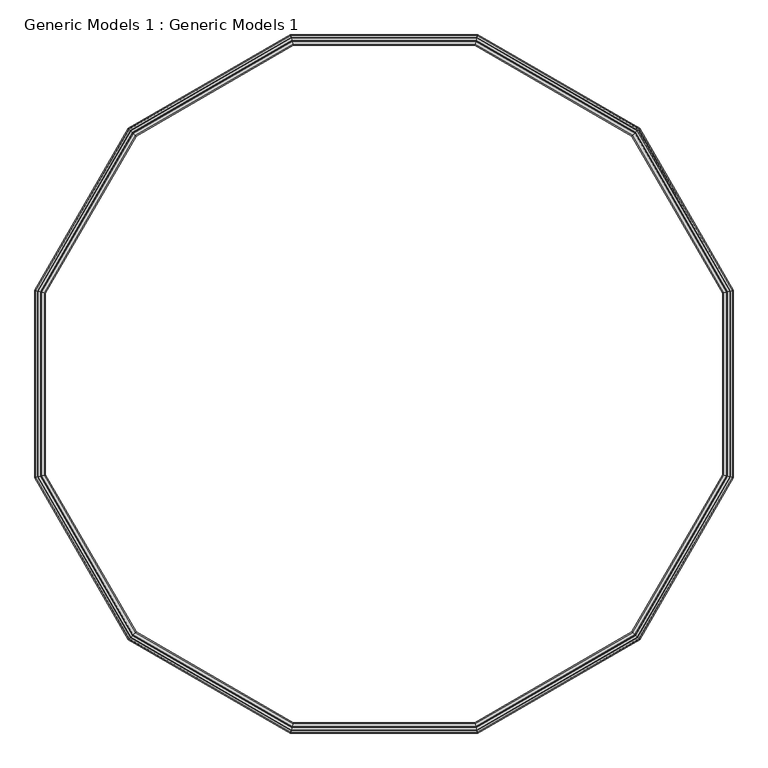
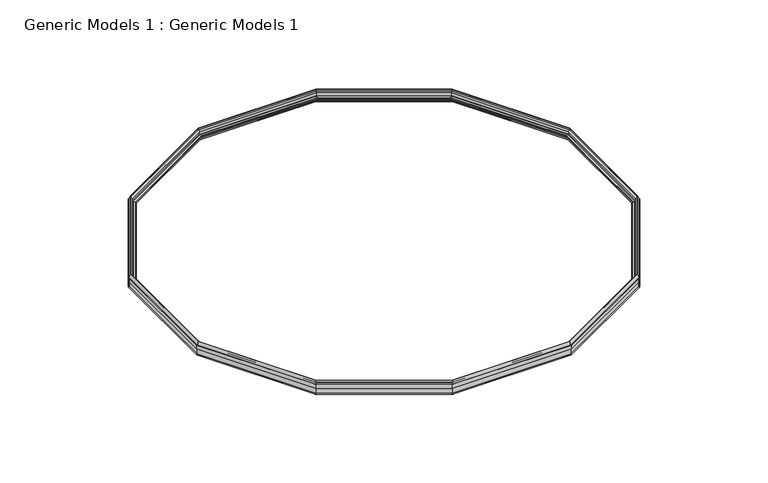
"""IFC4 building model written with IfcOpenShell, lengths in millimetres: proxy geometry, Generic Models 1 : Generic Models 1."""

import ifcopenshell
import ifcopenshell.guid

model = None  # the IFC model being written
_history = None  # IfcOwnerHistory: only IFC2X3 demands one
_inside = {}  # id of a spatial element -> (the spatial element, [elements in it])
_under = {}  # id of a project, library or spatial element -> (it, [spatial elements below it])
_declared = {}  # id of a project -> (the project, [libraries it declares])
_typed = {}  # id of a type object -> (the type object, [elements of that type])
_made_of = {}  # id of a material, layer set ... -> (it, [elements and type objects made of it])


def new_model(schema):
    """Start an empty IFC model of exactly this schema.

    Asked for "IFC4X3", IfcOpenShell would pick the latest addendum, in which some entities
    have other attributes; the version numbers below select the first issue.
    IFC2X3 requires an IfcOwnerHistory on every rooted entity: one is made here for all.
    """
    global model, _history
    if schema == "IFC4X3":
        model = ifcopenshell.file(schema_version=(4, 3, 0, 0))
    else:
        model = ifcopenshell.file(schema=schema)
    _inside.clear()
    _under.clear()
    _declared.clear()
    _typed.clear()
    _made_of.clear()
    _history = None
    if model.schema == "IFC2X3":
        org = make("IfcOrganization", Name="unknown")
        user = make(
            "IfcPersonAndOrganization",
            ThePerson=make("IfcPerson", FamilyName="unknown"),
            TheOrganization=org,
        )
        app = make(
            "IfcApplication",
            ApplicationDeveloper=org,
            Version="unknown",
            ApplicationFullName="unknown",
            ApplicationIdentifier="unknown",
        )
        _history = make(
            "IfcOwnerHistory",
            OwningUser=user,
            OwningApplication=app,
            ChangeAction="ADDED",
            CreationDate=0,
        )
    return model


def make(cls, **values):
    """One entity of the class cls with the attributes given. An attribute that is None is left unset."""
    return model.create_entity(
        cls, **{name: value for name, value in values.items() if value is not None}
    )


def rooted(cls, **values):
    """An entity with a GlobalId (a new one), such as an element, a storey or a relation."""
    return make(cls, GlobalId=ifcopenshell.guid.new(), OwnerHistory=_history, **values)


def si_unit(unit_type, name, prefix=None):
    """IfcSIUnit, for example si_unit("LENGTHUNIT", "METRE", prefix="MILLI")."""
    return make("IfcSIUnit", UnitType=unit_type, Prefix=prefix, Name=name)


def assignment(units):
    """IfcUnitAssignment: the units of a project."""
    return None if units is None else make("IfcUnitAssignment", Units=units)


def point(xyz):
    """IfcCartesianPoint."""
    return None if xyz is None else make("IfcCartesianPoint", Coordinates=xyz)


def direction(xyz):
    """IfcDirection."""
    return None if xyz is None else make("IfcDirection", DirectionRatios=xyz)


def frame(location, z_axis=None, x_axis=None):
    """IfcAxis2Placement3D, a coordinate frame: its origin and axes. An axis left out is left unset."""
    return make(
        "IfcAxis2Placement3D",
        Location=point(location),
        Axis=direction(z_axis),
        RefDirection=direction(x_axis),
    )


def origin():
    """The frame at (0, 0, 0) with its axes left unset."""
    return frame((0.0, 0.0, 0.0))


def place(relative_to, where):
    """IfcLocalPlacement: puts the frame where relative to a parent placement (None: the world)."""
    return make(
        "IfcLocalPlacement", PlacementRelTo=relative_to, RelativePlacement=where
    )


def context(
    kind, dimensions, precision=None, world=None, true_north=None, identifier=None
):
    """IfcGeometricRepresentationContext, for example the 3D "Model" context."""
    return make(
        "IfcGeometricRepresentationContext",
        ContextIdentifier=identifier,
        ContextType=kind,
        CoordinateSpaceDimension=dimensions,
        Precision=precision,
        WorldCoordinateSystem=world,
        TrueNorth=true_north,
    )


def project(units=None, contexts=None):
    """IfcProject with its units and contexts."""
    return rooted(
        "IfcProject",
        Name="project",
        RepresentationContexts=contexts,
        UnitsInContext=assignment(units),
    )


def spatial(cls, under=None, at=None, **own):
    """A site, building, storey or space (cls), placed at a placement, below another one or the project."""
    s = rooted(cls, ObjectPlacement=at, **own)
    if under is not None:
        _under.setdefault(under.id(), (under, []))[1].append(s)
    return s


def faces_of(points, faces, orient=None, outer=None):
    """IfcFace entities. A face is a list of loops; a loop is a list of indices into points, from 0.

    orient and outer hold one flag for each loop. By default every Orientation is true, the
    first loop of a face is its IfcFaceOuterBound and the others are IfcFaceBound.
    """
    made = []
    for i, loops in enumerate(faces):
        bounds = []
        for j, loop in enumerate(loops):
            is_outer = j == 0 if outer is None else outer[i][j]
            bounds.append(
                make(
                    "IfcFaceOuterBound" if is_outer else "IfcFaceBound",
                    Bound=make("IfcPolyLoop", Polygon=[points[k] for k in loop]),
                    Orientation=True if orient is None else orient[i][j],
                )
            )
        made.append(make("IfcFace", Bounds=bounds))
    return made


def faceted_brep(points, faces, orient=None, outer=None, voids=None):
    """IfcFacetedBrep: a solid bounded by flat faces; with voids (closed shells), ...WithVoids."""
    shared = [point(p) for p in points]
    hull = make("IfcClosedShell", CfsFaces=faces_of(shared, faces, orient, outer))
    if voids is None:
        return make("IfcFacetedBrep", Outer=hull)
    return make(
        "IfcFacetedBrepWithVoids",
        Outer=hull,
        Voids=[
            make(cls, CfsFaces=faces_of(shared, fs, o, b)) for cls, fs, o, b in voids
        ],
    )


def shape(context_of_items, identifier, shape_type, items):
    """IfcShapeRepresentation: the items that make up one representation, for example the "Body"."""
    return make(
        "IfcShapeRepresentation",
        ContextOfItems=context_of_items,
        RepresentationIdentifier=identifier,
        RepresentationType=shape_type,
        Items=items,
    )


def source(mapping_origin, context_of_items, identifier, shape_type, items):
    """IfcRepresentationMap: a shape defined once, which mapped items show again and again."""
    return make(
        "IfcRepresentationMap",
        MappingOrigin=mapping_origin,
        MappedRepresentation=shape(context_of_items, identifier, shape_type, items),
    )


def transform(
    local_origin,
    x_axis=None,
    y_axis=None,
    z_axis=None,
    scale=None,
    scale2=None,
    scale3=None,
    uniform=True,
):
    """IfcCartesianTransformationOperator3D, or its non-uniform kind. x_axis, y_axis, z_axis: its Axis1, 2, 3."""
    if uniform:
        return make(
            "IfcCartesianTransformationOperator3D",
            Axis1=direction(x_axis),
            Axis2=direction(y_axis),
            LocalOrigin=point(local_origin),
            Scale=scale,
            Axis3=direction(z_axis),
        )
    return make(
        "IfcCartesianTransformationOperator3DnonUniform",
        Axis1=direction(x_axis),
        Axis2=direction(y_axis),
        LocalOrigin=point(local_origin),
        Scale=scale,
        Axis3=direction(z_axis),
        Scale2=scale2,
        Scale3=scale3,
    )


def mapped(mapping_source, mapping_target):
    """IfcMappedItem: shows the shape of a source again, moved by a transform."""
    return make(
        "IfcMappedItem", MappingSource=mapping_source, MappingTarget=mapping_target
    )


def made_of(thing, what):
    """Note that an element or type object is made of a material, layer set ...; save() writes the relation."""
    if what is not None:
        _made_of.setdefault(what.id(), (what, []))[1].append(thing)
    return thing


def element(
    cls,
    number,
    at=None,
    inside=None,
    cuts=None,
    type_object=None,
    material=None,
    context=None,
    identifier="Body",
    shape_type=None,
    held_by="IfcProductDefinitionShape",
    body=None,
    shapes=None,
    **own,
):
    """One element of the class cls, such as IfcWall. Its Tag is "e" and its number.

    at: its placement. inside: the storey or other place that contains it. cuts: it is an
    opening in that element (IfcRelVoidsElement). A single representation is given by context,
    identifier, shape_type and body (its items); several are given by shapes. held_by: the class
    of the entity that holds the representations. save() writes the other relations.
    """
    e = rooted(cls, Tag="e%d" % number, ObjectPlacement=at, **own)
    if body is not None:
        shapes = [shape(context, identifier, shape_type, body)]
    if shapes is not None:
        e.Representation = make(held_by, Representations=shapes)
    if inside is not None:
        _inside.setdefault(inside.id(), (inside, []))[1].append(e)
    if cuts is not None:
        rooted(
            "IfcRelVoidsElement", RelatingBuildingElement=cuts, RelatedOpeningElement=e
        )
    if type_object is not None:
        _typed.setdefault(type_object.id(), (type_object, []))[1].append(e)
    return made_of(e, material)


def aggregate(whole, parts):
    """IfcRelAggregates: a whole, such as a stair, and the parts it consists of."""
    return rooted("IfcRelAggregates", RelatingObject=whole, RelatedObjects=parts)


def save(model, path):
    """Write the relations noted so far, then the file.

    IfcRelAggregates (storeys below a building ...), IfcRelContainedInSpatialStructure (elements
    in a storey), IfcRelDefinesByType, IfcRelAssociatesMaterial and IfcRelDeclares: one each for
    every whole, place, type object, material and project.
    """
    for whole, parts in _under.values():
        aggregate(whole, parts)
    for where, things in _inside.values():
        rooted(
            "IfcRelContainedInSpatialStructure",
            RelatedElements=things,
            RelatingStructure=where,
        )
    for kind, things in _typed.values():
        rooted("IfcRelDefinesByType", RelatedObjects=things, RelatingType=kind)
    for what, things in _made_of.values():
        rooted("IfcRelAssociatesMaterial", RelatedObjects=things, RelatingMaterial=what)
    for by, libraries in _declared.values():
        rooted("IfcRelDeclares", RelatingContext=by, RelatedDefinitions=libraries)
    model.write(path)


def generic_models_1_generic_models_1_f5da08ea(model_context):
    return source(origin(), model_context, "Body", "Brep", [
        faceted_brep([(-13005.6252221, -10710.0691058, 816.128845), (-13003.2415709, -10718.9650133, 825.1757906), (-14387.2775334, -11518.0385488, 825.1757906), (-14393.7897897, -11511.5262925, 816.128845), (-13005.9264504, -10708.9449068, 817.2342756), (-14394.6127604, -11510.7033217, 817.2342756), (-13003.6672762, -10717.3762595, 825.8087791), (-14388.4405818, -11516.8755003, 825.8087791), (-13003.8433067, -10716.7193047, 903.8529854), (-14388.9215062, -11516.394576, 903.8529854), (-13003.4190592, -10718.3026179, 903.8663133), (-14387.7624404, -11517.5536417, 903.8663133), (-15186.3738154, -12902.1139094, 825.1757906), (-15195.2697229, -12899.7302582, 816.128845), (-15196.393922, -12899.42903, 817.2342756), (-15187.9625692, -12901.6882042, 825.8087791), (-15188.6195241, -12901.5121736, 903.8529854), (-15187.0362108, -12901.9364211, 903.8663133), (-15186.3738154, -14500.1875605, 825.1757906), (-15195.2697229, -14502.5712117, 816.128845), (-15196.393922, -14502.8724399, 817.2342756), (-15187.9625692, -14500.6132658, 825.8087791), (-15188.6195241, -14500.7892963, 903.8529854), (-15187.0362108, -14500.3650488, 903.8663133), (-14387.3525537, -15884.1329821, 825.1757906), (-14393.86481, -15890.6452384, 816.128845), (-14394.6877808, -15891.4682092, 817.2342756), (-14388.5156022, -15885.2960306, 825.8087791), (-14388.9965265, -15885.7769549, 903.8529854), (-14387.8374608, -15884.6178892, 903.8663133), (-13003.1847423, -16683.2826406, 825.1757906), (-13005.5683935, -16692.1785482, 816.128845), (-13005.8696217, -16693.3027472, 817.2342756), (-13003.6104476, -16684.8713944, 825.8087791), (-13003.7864781, -16685.5283493, 903.8529854), (-13003.3622306, -16683.945036, 903.8663133), (-11405.0771758, -16683.2826406, 825.1757906), (-11402.6935246, -16692.1785482, 816.128845), (-11402.3922964, -16693.3027472, 817.2342756), (-11404.6514705, -16684.8713944, 825.8087791), (-11404.47544, -16685.5283493, 903.8529854), (-11404.8996875, -16683.945036, 903.8663133), (-10021.1347356, -15884.2631002, 825.1757906), (-10014.6224793, -15890.7753565, 816.128845), (-10013.7995085, -15891.5983273, 817.2342756), (-10019.9716871, -15885.4261487, 825.8087791), (-10019.4907627, -15885.9070731, 903.8529854), (-10020.6498285, -15884.7480073, 903.8663133), (-9221.9997067, -14500.1206281, 825.1757906), (-9213.1037992, -14502.5042793, 816.128845), (-9211.9796001, -14502.8055075, 817.2342756), (-9220.4109529, -14500.5463334, 825.8087791), (-9219.753998, -14500.7223639, 903.8529854), (-9221.3373113, -14500.2981164, 903.8663133), (-9221.9997067, -12901.9206057, 825.1757906), (-9213.1037992, -12899.5369544, 816.128845), (-9211.9796001, -12899.2357262, 817.2342756), (-9220.4109529, -12901.4949004, 825.8087791), (-9219.753998, -12901.3188698, 903.8529854), (-9221.3373113, -12901.7431173, 903.8663133), (-11402.6366959, -10710.0691058, 816.128845), (-11405.0203472, -10718.9650133, 825.1757906), (-11402.3354677, -10708.9449068, 817.2342756), (-11404.5946419, -10717.3762595, 825.8087791), (-11404.4186114, -10716.7193047, 903.8529854), (-11404.8428589, -10718.3026179, 903.8663133), (-10020.9843847, -11518.0385488, 825.1757906), (-10014.4721284, -11511.5262925, 816.128845), (-10013.6491577, -11510.7033217, 817.2342756), (-10019.8213362, -11516.8755003, 825.8087791), (-10019.3404119, -11516.394576, 903.8529854), (-10020.4994777, -11517.5536417, 903.8663133)], [[[0, 1, 2, 3]], [[4, 0, 3, 5]], [[6, 4, 5, 7]], [[8, 6, 7, 9]], [[1, 10, 11, 2]], [[3, 2, 12, 13]], [[5, 3, 13, 14]], [[7, 5, 14, 15]], [[9, 7, 15, 16]], [[2, 11, 17, 12]], [[13, 12, 18, 19]], [[14, 13, 19, 20]], [[15, 14, 20, 21]], [[16, 15, 21, 22]], [[12, 17, 23, 18]], [[19, 18, 24, 25]], [[20, 19, 25, 26]], [[21, 20, 26, 27]], [[22, 21, 27, 28]], [[18, 23, 29, 24]], [[25, 24, 30, 31]], [[26, 25, 31, 32]], [[27, 26, 32, 33]], [[28, 27, 33, 34]], [[24, 29, 35, 30]], [[31, 30, 36, 37]], [[32, 31, 37, 38]], [[33, 32, 38, 39]], [[34, 33, 39, 40]], [[30, 35, 41, 36]], [[37, 36, 42, 43]], [[38, 37, 43, 44]], [[39, 38, 44, 45]], [[40, 39, 45, 46]], [[36, 41, 47, 42]], [[43, 42, 48, 49]], [[44, 43, 49, 50]], [[45, 44, 50, 51]], [[46, 45, 51, 52]], [[42, 47, 53, 48]], [[49, 48, 54, 55]], [[50, 49, 55, 56]], [[51, 50, 56, 57]], [[52, 51, 57, 58]], [[48, 53, 59, 54]], [[60, 61, 1, 0]], [[62, 60, 0, 4]], [[63, 62, 4, 6]], [[64, 63, 6, 8]], [[65, 64, 8, 10]], [[61, 65, 10, 1]], [[10, 8, 9, 11]], [[11, 9, 16, 17]], [[17, 16, 22, 23]], [[23, 22, 28, 29]], [[29, 28, 34, 35]], [[35, 34, 40, 41]], [[41, 40, 46, 47]], [[47, 46, 52, 53]], [[53, 52, 58, 59]], [[55, 54, 66, 67]], [[56, 55, 67, 68]], [[57, 56, 68, 69]], [[58, 57, 69, 70]], [[59, 58, 70, 71]], [[54, 59, 71, 66]], [[67, 66, 61, 60]], [[68, 67, 60, 62]], [[69, 68, 62, 63]], [[70, 69, 63, 64]], [[71, 70, 64, 65]], [[66, 71, 65, 61]]]),
        faceted_brep([(-12998.2934817, -10737.4315336, 922.7375875), (-12997.6741342, -10739.74297, 922.1393437), (-14372.0670134, -11533.2490688, 922.1393437), (-14373.7591022, -11531.5569799, 922.7375875), (-12998.5066452, -10736.6359967, 919.6638689), (-14374.3414757, -11530.9746065, 919.6638689), (-13006.0299291, -10708.5587189, 956.4473714), (-13006.0299291, -10708.5587189, 903.8663133), (-14394.8954696, -11510.4206126, 903.8663133), (-14394.8954696, -11510.4206126, 956.4473714), (-13004.3827283, -10714.7061561, 954.8562976), (-14390.3952332, -11514.920849, 954.8562976), (-13001.1324116, -10726.836503, 1001.7243588), (-14381.515203, -11523.8008792, 1001.7243588), (-12999.4852108, -10732.9839402, 1000.1332849), (-14377.0149666, -11528.3011155, 1000.1332849), (-13001.0830842, -10727.0205955, 977.0926903), (-14381.3804379, -11523.9356442, 977.0926903), (-12994.3163832, -10752.2742675, 970.5565591), (-14362.893467, -11542.4226152, 970.5565591), (-15165.5958587, -12907.6813462, 922.1393437), (-15167.9072951, -12907.0619987, 922.7375875), (-15168.702832, -12906.8488352, 919.6638689), (-15196.7801098, -12899.3255513, 903.8663133), (-15196.7801098, -12899.3255513, 956.4473714), (-15190.6326726, -12900.9727521, 954.8562976), (-15178.5023258, -12904.2230687, 1001.7243588), (-15172.3548886, -12905.8702696, 1000.1332849), (-15178.3182333, -12904.2723962, 977.0926903), (-15153.0645613, -12911.0390972, 970.5565591), (-15165.5958587, -14494.6201238, 922.1393437), (-15167.9072951, -14495.2394713, 922.7375875), (-15168.702832, -14495.4526348, 919.6638689), (-15196.7801098, -14502.9759187, 903.8663133), (-15196.7801098, -14502.9759187, 956.4473714), (-15190.6326726, -14501.3287178, 954.8562976), (-15178.5023258, -14498.0784012, 1001.7243588), (-15172.3548886, -14496.4312004, 1000.1332849), (-15178.3182333, -14498.0290738, 977.0926903), (-15153.0645613, -14491.2623727, 970.5565591), (-14372.1420337, -15868.9224621, 922.1393437), (-14373.8341226, -15870.614551, 922.7375875), (-14374.416496, -15871.1969244, 919.6638689), (-14394.9704899, -15891.7509183, 903.8663133), (-14394.9704899, -15891.7509183, 956.4473714), (-14390.4702535, -15887.250682, 954.8562976), (-14381.5902233, -15878.3706518, 1001.7243588), (-14377.089987, -15873.8704154, 1000.1332849), (-14381.4554583, -15878.2358867, 977.0926903), (-14362.9684873, -15859.7489157, 970.5565591), (-12997.6173055, -16662.5046839, 922.1393437), (-12998.2366531, -16664.8161203, 922.7375875), (-12998.4498165, -16665.6116572, 919.6638689), (-13005.9731004, -16693.688935, 903.8663133), (-13005.9731004, -16693.688935, 956.4473714), (-13004.3258996, -16687.5414978, 954.8562976), (-13001.075583, -16675.411151, 1001.7243588), (-12999.4283821, -16669.2637138, 1000.1332849), (-13001.0262555, -16675.2270585, 977.0926903), (-12994.2595545, -16649.9733865, 970.5565591), (-11410.6446126, -16662.5046839, 922.1393437), (-11410.025265, -16664.8161203, 922.7375875), (-11409.8121016, -16665.6116572, 919.6638689), (-11402.2888177, -16693.688935, 903.8663133), (-11402.2888177, -16693.688935, 956.4473714), (-11403.9360185, -16687.5414978, 954.8562976), (-11407.1863351, -16675.411151, 1001.7243588), (-11408.833536, -16669.2637138, 1000.1332849), (-11407.2356626, -16675.2270585, 977.0926903), (-11414.0023636, -16649.9733865, 970.5565591), (-10036.3452556, -15869.0525802, 922.1393437), (-10034.6531667, -15870.7446691, 922.7375875), (-10034.0707933, -15871.3270425, 919.6638689), (-10013.5167994, -15891.8810364, 903.8663133), (-10013.5167994, -15891.8810364, 956.4473714), (-10018.0170357, -15887.3808001, 954.8562976), (-10026.8970659, -15878.5007699, 1001.7243588), (-10031.3973023, -15874.0005335, 1000.1332849), (-10027.031831, -15878.3660048, 977.0926903), (-10045.518802, -15859.8790338, 970.5565591), (-9242.7776634, -14494.5531913, 922.1393437), (-9240.466227, -14495.1725389, 922.7375875), (-9239.6706901, -14495.3857023, 919.6638689), (-9211.5934123, -14502.9089862, 903.8663133), (-9211.5934123, -14502.9089862, 956.4473714), (-9217.7408495, -14501.2617854, 954.8562976), (-9229.8711963, -14498.0114688, 1001.7243588), (-9236.0186335, -14496.3642679, 1000.1332849), (-9230.0552888, -14497.9621413, 977.0926903), (-9255.3089608, -14491.1954403, 970.5565591), (-9242.7776634, -12907.4880424, 922.1393437), (-9240.466227, -12906.8686949, 922.7375875), (-9239.6706901, -12906.6555314, 919.6638689), (-9211.5934123, -12899.1322475, 903.8663133), (-9211.5934123, -12899.1322475, 956.4473714), (-9217.7408495, -12900.7794483, 954.8562976), (-9229.8711963, -12904.0297649, 1001.7243588), (-9236.0186335, -12905.6769658, 1000.1332849), (-9230.0552888, -12904.0790924, 977.0926903), (-9255.3089608, -12910.8457934, 970.5565591), (-11409.9684364, -10737.4315336, 922.7375875), (-11410.5877839, -10739.74297, 922.1393437), (-11409.7552729, -10736.6359967, 919.6638689), (-11402.231989, -10708.5587189, 956.4473714), (-11402.231989, -10708.5587189, 903.8663133), (-11403.8791898, -10714.7061561, 954.8562976), (-11407.1295065, -10726.836503, 1001.7243588), (-11408.7767073, -10732.9839402, 1000.1332849), (-11407.1788339, -10727.0205955, 977.0926903), (-11413.9455349, -10752.2742675, 970.5565591), (-12992.7414423, -10758.1520269, 914.0951105), (-14358.5906484, -11546.7254338, 914.0951105), (-12991.7310749, -10761.9227692, 928.6641399), (-14355.8302735, -11549.4858087, 928.6641399), (-12985.0856534, -10786.7238198, 927.5766107), (-14337.6746444, -11567.6414378, 927.5766107), (-12985.5302066, -10785.0647247, 921.1663598), (-14338.8891862, -11566.4268959, 921.1663598), (-12982.235805, -10797.3595991, 917.9842121), (-14329.8887135, -11575.4273687, 917.9842121), (-12983.2148862, -10793.705618, 903.8663133), (-14332.5636133, -11572.7524689, 903.8663133), (-15147.1868018, -12912.6140381, 914.0951105), (-15143.4160595, -12913.6244054, 928.6641399), (-15118.615009, -12920.2698269, 927.5766107), (-15120.274104, -12919.8252737, 921.1663598), (-15107.9792296, -12923.1196754, 917.9842121), (-15111.6332107, -12922.1405941, 903.8663133), (-15147.1868018, -14489.6874318, 914.0951105), (-15143.4160595, -14488.6770645, 928.6641399), (-15118.615009, -14482.031643, 927.5766107), (-15120.274104, -14482.4761962, 921.1663598), (-15107.9792296, -14479.1817945, 917.9842121), (-15111.6332107, -14480.1608758, 903.8663133), (-14358.6656687, -15855.4460972, 914.0951105), (-14355.9052938, -15852.6857222, 928.6641399), (-14337.7496647, -15834.5300931, 927.5766107), (-14338.9642066, -15835.744635, 921.1663598), (-14329.9637338, -15826.7441623, 917.9842121), (-14332.6386336, -15829.4190621, 903.8663133), (-12992.6846136, -16644.095627, 914.0951105), (-12991.6742463, -16640.3248848, 928.6641399), (-12985.0288248, -16615.5238342, 927.5766107), (-12985.473378, -16617.1829292, 921.1663598), (-12982.1789763, -16604.8880548, 917.9842121), (-12983.1580576, -16608.5420359, 903.8663133), (-11415.5773045, -16644.095627, 914.0951105), (-11416.5876718, -16640.3248848, 928.6641399), (-11423.2330933, -16615.5238342, 927.5766107), (-11422.7885401, -16617.1829292, 921.1663598), (-11426.0829418, -16604.8880548, 917.9842121), (-11425.1038605, -16608.5420359, 903.8663133), (-10049.8216205, -15855.5762153, 914.0951105), (-10052.5819955, -15852.8158403, 928.6641399), (-10070.7376246, -15834.6602112, 927.5766107), (-10069.5230827, -15835.8747531, 921.1663598), (-10078.5235554, -15826.8742804, 917.9842121), (-10075.8486556, -15829.5491802, 903.8663133), (-9261.1867203, -14489.6204994, 914.0951105), (-9264.9574626, -14488.6101321, 928.6641399), (-9289.7585131, -14481.9647106, 927.5766107), (-9288.0994181, -14482.4092638, 921.1663598), (-9300.3942925, -14479.1148621, 917.9842121), (-9296.7403114, -14480.0939434, 903.8663133), (-9261.1867203, -12912.4207343, 914.0951105), (-9264.9574626, -12913.4311016, 928.6641399), (-9289.7585131, -12920.0765231, 927.5766107), (-9288.0994181, -12919.6319699, 921.1663598), (-9300.3942925, -12922.9263716, 917.9842121), (-9296.7403114, -12921.9472903, 903.8663133), (-11415.5204758, -10758.1520269, 914.0951105), (-11416.5308432, -10761.9227692, 928.6641399), (-11423.1762647, -10786.7238198, 927.5766107), (-11422.7317115, -10785.0647247, 921.1663598), (-11426.0261131, -10797.3595991, 917.9842121), (-11425.0470319, -10793.705618, 903.8663133), (-10036.1949047, -11533.2490688, 922.1393437), (-10034.5028159, -11531.5569799, 922.7375875), (-10033.9204424, -11530.9746065, 919.6638689), (-10049.6712697, -11546.7254338, 914.0951105), (-10052.4316446, -11549.4858087, 928.6641399), (-10070.5872737, -11567.6414378, 927.5766107), (-10069.3727319, -11566.4268959, 921.1663598), (-10078.3732046, -11575.4273687, 917.9842121), (-10075.6983048, -11572.7524689, 903.8663133), (-10013.3664485, -11510.4206126, 903.8663133), (-10013.3664485, -11510.4206126, 956.4473714), (-10017.8666849, -11514.920849, 954.8562976), (-10026.7467151, -11523.8008792, 1001.7243588), (-10031.2469515, -11528.3011155, 1000.1332849), (-10026.8814802, -11523.9356442, 977.0926903), (-10045.3684511, -11542.4226152, 970.5565591)], [[[0, 1, 2, 3]], [[4, 0, 3, 5]], [[6, 7, 8, 9]], [[10, 6, 9, 11]], [[12, 10, 11, 13]], [[14, 12, 13, 15]], [[16, 14, 15, 17]], [[18, 16, 17, 19]], [[1, 18, 19, 2]], [[3, 2, 20, 21]], [[5, 3, 21, 22]], [[9, 8, 23, 24]], [[11, 9, 24, 25]], [[13, 11, 25, 26]], [[15, 13, 26, 27]], [[17, 15, 27, 28]], [[19, 17, 28, 29]], [[2, 19, 29, 20]], [[21, 20, 30, 31]], [[22, 21, 31, 32]], [[24, 23, 33, 34]], [[25, 24, 34, 35]], [[26, 25, 35, 36]], [[27, 26, 36, 37]], [[28, 27, 37, 38]], [[29, 28, 38, 39]], [[20, 29, 39, 30]], [[31, 30, 40, 41]], [[32, 31, 41, 42]], [[34, 33, 43, 44]], [[35, 34, 44, 45]], [[36, 35, 45, 46]], [[37, 36, 46, 47]], [[38, 37, 47, 48]], [[39, 38, 48, 49]], [[30, 39, 49, 40]], [[41, 40, 50, 51]], [[42, 41, 51, 52]], [[44, 43, 53, 54]], [[45, 44, 54, 55]], [[46, 45, 55, 56]], [[47, 46, 56, 57]], [[48, 47, 57, 58]], [[49, 48, 58, 59]], [[40, 49, 59, 50]], [[51, 50, 60, 61]], [[52, 51, 61, 62]], [[54, 53, 63, 64]], [[55, 54, 64, 65]], [[56, 55, 65, 66]], [[57, 56, 66, 67]], [[58, 57, 67, 68]], [[59, 58, 68, 69]], [[50, 59, 69, 60]], [[61, 60, 70, 71]], [[62, 61, 71, 72]], [[64, 63, 73, 74]], [[65, 64, 74, 75]], [[66, 65, 75, 76]], [[67, 66, 76, 77]], [[68, 67, 77, 78]], [[69, 68, 78, 79]], [[60, 69, 79, 70]], [[71, 70, 80, 81]], [[72, 71, 81, 82]], [[74, 73, 83, 84]], [[75, 74, 84, 85]], [[76, 75, 85, 86]], [[77, 76, 86, 87]], [[78, 77, 87, 88]], [[79, 78, 88, 89]], [[70, 79, 89, 80]], [[81, 80, 90, 91]], [[82, 81, 91, 92]], [[84, 83, 93, 94]], [[85, 84, 94, 95]], [[86, 85, 95, 96]], [[87, 86, 96, 97]], [[88, 87, 97, 98]], [[89, 88, 98, 99]], [[80, 89, 99, 90]], [[100, 101, 1, 0]], [[102, 100, 0, 4]], [[103, 104, 7, 6]], [[105, 103, 6, 10]], [[106, 105, 10, 12]], [[107, 106, 12, 14]], [[108, 107, 14, 16]], [[109, 108, 16, 18]], [[101, 109, 18, 1]], [[110, 4, 5, 111]], [[112, 110, 111, 113]], [[114, 112, 113, 115]], [[116, 114, 115, 117]], [[118, 116, 117, 119]], [[120, 118, 119, 121]], [[111, 5, 22, 122]], [[113, 111, 122, 123]], [[115, 113, 123, 124]], [[117, 115, 124, 125]], [[119, 117, 125, 126]], [[121, 119, 126, 127]], [[122, 22, 32, 128]], [[123, 122, 128, 129]], [[124, 123, 129, 130]], [[125, 124, 130, 131]], [[126, 125, 131, 132]], [[127, 126, 132, 133]], [[128, 32, 42, 134]], [[129, 128, 134, 135]], [[130, 129, 135, 136]], [[131, 130, 136, 137]], [[132, 131, 137, 138]], [[133, 132, 138, 139]], [[134, 42, 52, 140]], [[135, 134, 140, 141]], [[136, 135, 141, 142]], [[137, 136, 142, 143]], [[138, 137, 143, 144]], [[139, 138, 144, 145]], [[140, 52, 62, 146]], [[141, 140, 146, 147]], [[142, 141, 147, 148]], [[143, 142, 148, 149]], [[144, 143, 149, 150]], [[145, 144, 150, 151]], [[146, 62, 72, 152]], [[147, 146, 152, 153]], [[148, 147, 153, 154]], [[149, 148, 154, 155]], [[150, 149, 155, 156]], [[151, 150, 156, 157]], [[152, 72, 82, 158]], [[153, 152, 158, 159]], [[154, 153, 159, 160]], [[155, 154, 160, 161]], [[156, 155, 161, 162]], [[157, 156, 162, 163]], [[158, 82, 92, 164]], [[159, 158, 164, 165]], [[160, 159, 165, 166]], [[161, 160, 166, 167]], [[162, 161, 167, 168]], [[163, 162, 168, 169]], [[170, 102, 4, 110]], [[171, 170, 110, 112]], [[172, 171, 112, 114]], [[173, 172, 114, 116]], [[174, 173, 116, 118]], [[175, 174, 118, 120]], [[91, 90, 176, 177]], [[92, 91, 177, 178]], [[164, 92, 178, 179]], [[165, 164, 179, 180]], [[166, 165, 180, 181]], [[167, 166, 181, 182]], [[168, 167, 182, 183]], [[169, 168, 183, 184]], [[94, 93, 185, 186]], [[95, 94, 186, 187]], [[96, 95, 187, 188]], [[97, 96, 188, 189]], [[98, 97, 189, 190]], [[99, 98, 190, 191]], [[90, 99, 191, 176]], [[177, 176, 101, 100]], [[178, 177, 100, 102]], [[179, 178, 102, 170]], [[180, 179, 170, 171]], [[181, 180, 171, 172]], [[182, 181, 172, 173]], [[183, 182, 173, 174]], [[184, 183, 174, 175]], [[104, 185, 93, 83, 73, 63, 53, 43, 33, 23, 8, 7], [163, 169, 184, 175, 120, 121, 127, 133, 139, 145, 151, 157]], [[186, 185, 104, 103]], [[187, 186, 103, 105]], [[188, 187, 105, 106]], [[189, 188, 106, 107]], [[190, 189, 107, 108]], [[191, 190, 108, 109]], [[176, 191, 109, 101]]]),
    ])


if __name__ == "__main__":
    model = new_model("IFC4")
    model_context = context("Model", 3, world=origin())
    ifc_project = project(units=[si_unit("LENGTHUNIT", "METRE", prefix="MILLI")], contexts=[model_context])
    site = spatial("IfcSite", under=ifc_project)
    building = spatial("IfcBuilding", under=site)
    placement = place(None, origin())
    generic_models_1_generic_models_1_shape = generic_models_1_generic_models_1_f5da08ea(model_context)
    element("IfcBuildingElementProxy", 1, Name="Generic Models 1 : Generic Models 1", ObjectType="Generic Models 1 : Generic Models 1", at=placement, inside=building, context=model_context, shape_type="MappedRepresentation", body=[
        mapped(generic_models_1_generic_models_1_shape, transform((0.0, 0.0, 0.0), x_axis=(1.0, 0.0, 0.0), y_axis=(0.0, 1.0, 0.0), z_axis=(0.0, 0.0, 1.0))),
    ])
    save(model, "model.ifc")
